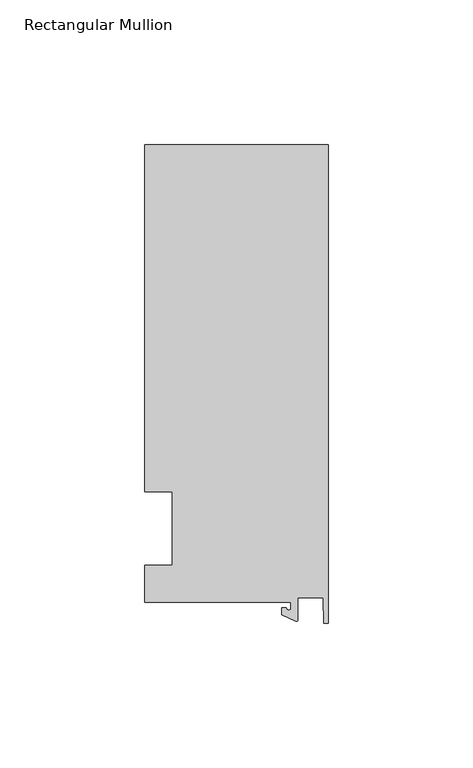
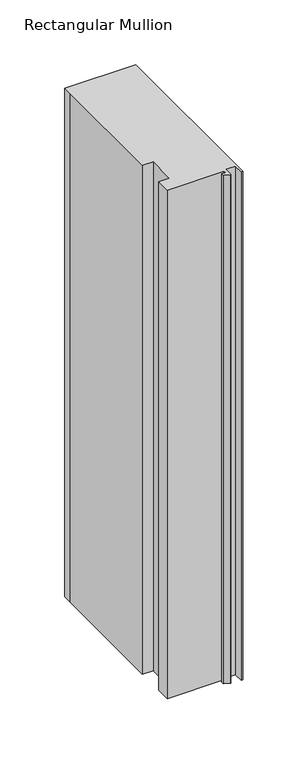
"""IFC4 building model written with IfcOpenShell, lengths in millimetres: member geometry, Rectangular Mullion."""

from ifc_helpers import new_model, si_unit, point, frame, frame_2d, origin, place, context, project, spatial, polyline, circle_curve, trimmed, segment, composite_curve, outline, extrude, source, transform, mapped, element, save


def rectangular_mullion_699193a1(model_context):
    return source(origin(), model_context, "Body", "SweptSolid", [
        extrude(outline(composite_curve([segment(polyline([(-12.8216721, -25.5984375), (-63.5, -25.5984375), (-63.5, -12.7), (-53.975, -12.7), (-53.975, 12.7), (-63.5, 12.7), (-63.5, 125.075512), (-63.5, 132.822512), (0.0, 132.822512), (0.0, -32.810012), (-1.5566453, -32.810012), (-1.7144124, -23.9227662), (-10.4340721, -23.9227662), (-10.4340721, -31.6795354)]), True, "CONTINUOUS"), segment(trimmed(circle_curve(frame_2d((-10.9420721, -31.6795354)), 0.508), [point((-10.4340721, -31.6795354))], [point((-11.1567622, -32.1399398))], False, "CARTESIAN"), True, "CONTINUOUS"), segment(polyline([(-11.1567622, -32.1399398), (-15.9966721, -29.8830527), (-15.9966721, -27.5208534), (-14.4091721, -27.5208534)]), True, "CONTINUOUS"), segment(trimmed(circle_curve(frame_2d((-13.6154221, -27.5208534)), 0.79375), [point((-14.4091721, -27.5208534))], [point((-12.8216721, -27.5208534))], True, "CARTESIAN"), True, "CONTINUOUS"), segment(polyline([(-12.8216721, -27.5208534), (-12.8216721, -25.5984375)]), True, "CONTINUOUS")], self_intersect=False)), frame((0.0, 0.0, -479.9618389), z_axis=(0.0, 0.0, 1.0), x_axis=(1.0, 0.0, 0.0)), (0.0, 0.0, 1.0), 479.9618389),
    ])


if __name__ == "__main__":
    model = new_model("IFC4")
    model_context = context("Model", 3, world=origin())
    ifc_project = project(units=[si_unit("LENGTHUNIT", "METRE", prefix="MILLI")], contexts=[model_context])
    site = spatial("IfcSite", under=ifc_project)
    building = spatial("IfcBuilding", under=site)
    placement = place(None, origin())
    rectangular_mullion_shape = rectangular_mullion_699193a1(model_context)
    element("IfcMember", 1, ObjectType="Rectangular Mullion", at=placement, inside=building, context=model_context, shape_type="MappedRepresentation", body=[
        mapped(rectangular_mullion_shape, transform((0.0, 0.0, 0.0), x_axis=(1.0, 0.0, 0.0), y_axis=(0.0, 1.0, 0.0), z_axis=(0.0, 0.0, 1.0))),
    ])
    save(model, "model.ifc")
